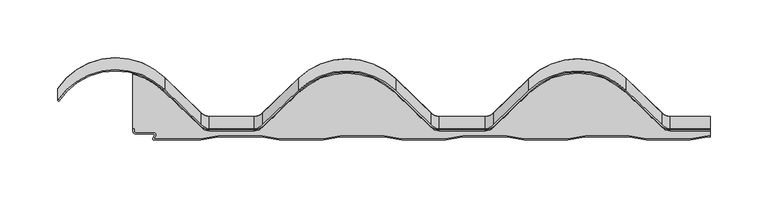
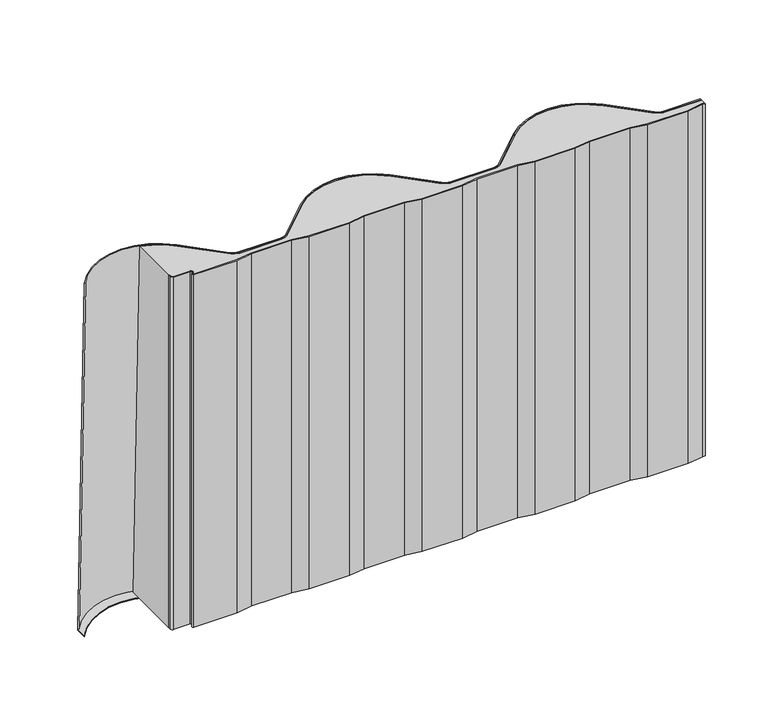
"""IFC4 building model written with IfcOpenShell, lengths in millimetres: proxy geometry."""

from ifc_helpers import new_model, si_unit, point, frame, frame_2d, origin, origin_with_axes, place, context, project, spatial, polyline, circle_curve, trimmed, segment, composite_curve, outline, extrude, source, transform, mapped, element, save
from ifc_brep_helpers import plane_surface, cylinder_surface, revolved_surface, extruded_surface, advanced_brep


def generic_models_fcc16483(model_context):
    return source(origin(), model_context, "Body", "SolidModel", [
        extrude(outline(composite_curve([segment(polyline([(-2.265, 1.5), (-17.265, -1.0), (-55.265, -1.0), (-70.265, 1.5), (-108.265, 1.5), (-123.265, -1.0), (-161.265, -1.0), (-176.265, 1.5), (-214.265, 1.5), (-229.265, -1.0), (-267.265, -1.0), (-282.265, 1.5), (-320.265, 1.5), (-335.265, -1.0), (-373.265, -1.0), (-388.265, 1.5), (-426.265, 1.5), (-441.265, -1.0), (-482.0711352, -1.0)]), True, "CONTINUOUS"), segment(trimmed(circle_curve(frame_2d((-482.0711352, 0.0)), 1.0), [point((-482.0711352, -1.0))], [point((-482.9100181, 0.5443119))], False, "CARTESIAN"), True, "CONTINUOUS"), segment(polyline([(-482.9100181, 0.5443119), (-481.4750477, 2.7558601)]), True, "CONTINUOUS"), segment(trimmed(circle_curve(frame_2d((-482.3139306, 3.3001721)), 1.0), [point((-481.4750477, 2.7558601))], [point((-482.3139306, 4.3001721))], True, "CARTESIAN"), True, "CONTINUOUS"), segment(polyline([(-482.3139306, 4.3001721), (-497.9000007, 4.3001721)]), True, "CONTINUOUS"), segment(trimmed(circle_curve(frame_2d((-497.9000007, 6.4001714)), 2.0999993), [point((-497.9000007, 4.3001721))], [point((-500.0, 6.4001714))], False, "CARTESIAN"), True, "CONTINUOUS"), segment(polyline([(-500.0, 6.4001714), (-500.0, 8.4001722), (-499.0, 8.4001722), (-499.0, 6.4001714)]), True, "CONTINUOUS"), segment(trimmed(circle_curve(frame_2d((-497.9000007, 6.4001714)), 1.0999993), [point((-499.0, 6.4001714))], [point((-497.9000007, 5.3001721))], True, "CARTESIAN"), True, "CONTINUOUS"), segment(polyline([(-497.9000007, 5.3001721), (-482.3139306, 5.3001721)]), True, "CONTINUOUS"), segment(trimmed(circle_curve(frame_2d((-482.3139306, 3.3001721)), 2.0), [point((-482.3139306, 5.3001721))], [point((-480.6361648, 2.2115482))], False, "CARTESIAN"), True, "CONTINUOUS"), segment(polyline([(-480.6361648, 2.2115482), (-482.0711352, 0.0), (-441.3477625, 0.0), (-426.3477625, 2.5), (-388.1822375, 2.5), (-373.1822375, 0.0), (-335.3477625, 0.0), (-320.3477625, 2.5), (-282.1822375, 2.5), (-267.1822375, 0.0), (-229.3477625, 0.0), (-214.3477625, 2.5), (-176.1822375, 2.5), (-161.1822375, 0.0), (-123.3477625, 0.0), (-108.3477625, 2.5), (-70.1822375, 2.5), (-55.1822375, 0.0), (-17.3477625, 0.0), (-2.3477625, 2.5), (-0.0286423, 2.5), (-0.0286423, 1.5), (-2.265, 1.5)]), True, "CONTINUOUS")], self_intersect=False)), origin_with_axes(), (0.0, 0.0, 1.0), 350.0),
        advanced_brep(
        [(-500.0, 66.6216742, 0.0), (-473.3196047, 51.6257976, 0.0), (-441.4819062, 20.6196004, 0.0), (-433.8073181, 17.5, 0.0), (-394.8301637, 17.5, 0.0), (-387.1555756, 20.6196004, 0.0), (-356.3446944, 50.6257976, 0.0), (-273.3196047, 50.6257976, 0.0), (-242.5087235, 20.6196004, 0.0), (-234.8341354, 17.5, 0.0), (-194.8301637, 17.5, 0.0), (-187.1555756, 20.6196004, 0.0), (-156.3446944, 50.6257976, 0.0), (-73.3196047, 50.6257976, 0.0), (-42.5087235, 20.6196004, 0.0), (-34.8341354, 17.5, 0.0), (-0.0286423, 17.5, 0.0), (-0.0286423, 2.5, 0.0), (-2.3477625, 2.5, 0.0), (-17.3477625, 0.0, 0.0), (-55.1822375, 0.0, 0.0), (-70.1822375, 2.5, 0.0), (-108.3477625, 2.5, 0.0), (-123.3477625, 0.0, 0.0), (-161.1822375, 0.0, 0.0), (-176.1822375, 2.5, 0.0), (-214.3477625, 2.5, 0.0), (-229.3477625, 0.0, 0.0), (-267.1822375, 0.0, 0.0), (-282.1822375, 2.5, 0.0), (-320.3477625, 2.5, 0.0), (-335.3477625, 0.0, 0.0), (-373.1822375, 0.0, 0.0), (-388.1822375, 2.5, 0.0), (-426.3477625, 2.5, 0.0), (-441.3477625, 0.0, 0.0), (-482.0711352, 0.0, 0.0), (-480.6361648, 2.2115482, 0.0), (-482.3139306, 5.3001721, 0.0), (-497.9000007, 5.3001721, 0.0), (-499.0, 6.4001714, 0.0), (-499.0, 8.4001722, 0.0), (-500.0, 8.4001722, 0.0), (-500.0, 8.4001722, 350.0), (-500.0, 56.1216742, 350.0), (-0.0286423, 7.0, 350.0), (-0.0286423, 2.5, 350.0), (-499.0, 8.4001722, 350.0), (-499.0, 6.4001714, 350.0), (-497.9000007, 5.3001721, 350.0), (-482.3139306, 5.3001721, 350.0), (-480.6361648, 2.2115482, 350.0), (-482.0711352, 0.0, 350.0), (-441.3477625, 0.0, 350.0), (-426.3477625, 2.5, 350.0), (-388.1822375, 2.5, 350.0), (-373.1822375, 0.0, 350.0), (-335.3477625, 0.0, 350.0), (-320.3477625, 2.5, 350.0), (-282.1822375, 2.5, 350.0), (-267.1822375, 0.0, 350.0), (-229.3477625, 0.0, 350.0), (-214.3477625, 2.5, 350.0), (-176.1822375, 2.5, 350.0), (-161.1822375, 0.0, 350.0), (-123.3477625, 0.0, 350.0), (-108.3477625, 2.5, 350.0), (-70.1822375, 2.5, 350.0), (-55.1822375, 0.0, 350.0), (-17.3477625, 0.0, 350.0), (-2.3477625, 2.5, 350.0), (-34.8341354, 7.0, 350.0), (-42.5087235, 10.1196004, 350.0), (-73.3196047, 40.1257976, 350.0), (-156.3446944, 40.1257976, 350.0), (-187.1555756, 10.1196004, 350.0), (-194.8301637, 7.0, 350.0), (-234.8341354, 7.0, 350.0), (-242.5087235, 10.1196004, 350.0), (-273.3196047, 40.1257976, 350.0), (-356.3446944, 40.1257976, 350.0), (-387.1555756, 10.1196004, 350.0), (-394.8301637, 7.0, 350.0), (-433.8073181, 7.0, 350.0), (-441.4819062, 10.1196004, 350.0), (-473.3196047, 41.1257976, 350.0)],
        [
            (0, 1, circle_curve(frame((-514.8321495, 9.0, 0.0), z_axis=(0.0, 0.0, -1.0), x_axis=(1.0, 0.0, 0.0)), 59.5)),
            (1, 2),
            (2, 3, circle_curve(frame((-433.8073181, 28.5, 0.0), z_axis=(0.0, 0.0, 1.0), x_axis=(1.0, 0.0, 0.0)), 11.0)),
            (3, 4),
            (4, 5, circle_curve(frame((-394.8301637, 28.5, 0.0), z_axis=(0.0, 0.0, 1.0), x_axis=(1.0, 0.0, 0.0)), 11.0)),
            (5, 6),
            (6, 7, circle_curve(frame((-314.8321495, 8.0, 0.0), z_axis=(0.0, 0.0, -1.0), x_axis=(1.0, 0.0, 0.0)), 59.5)),
            (7, 8),
            (8, 9, circle_curve(frame((-234.8341354, 28.5, 0.0), z_axis=(0.0, 0.0, 1.0), x_axis=(1.0, 0.0, 0.0)), 11.0)),
            (9, 10),
            (10, 11, circle_curve(frame((-194.8301637, 28.5, 0.0), z_axis=(0.0, 0.0, 1.0), x_axis=(1.0, 0.0, 0.0)), 11.0)),
            (11, 12),
            (12, 13, circle_curve(frame((-114.8321495, 8.0, 0.0), z_axis=(0.0, 0.0, -1.0), x_axis=(1.0, 0.0, 0.0)), 59.5)),
            (13, 14),
            (14, 15, circle_curve(frame((-34.8341354, 28.5, 0.0), z_axis=(0.0, 0.0, 1.0), x_axis=(1.0, 0.0, 0.0)), 11.0)),
            (15, 16),
            (16, 17),
            (17, 18),
            (18, 19),
            (19, 20),
            (20, 21),
            (21, 22),
            (22, 23),
            (23, 24),
            (24, 25),
            (25, 26),
            (26, 27),
            (27, 28),
            (28, 29),
            (29, 30),
            (30, 31),
            (31, 32),
            (32, 33),
            (33, 34),
            (34, 35),
            (35, 36),
            (36, 37),
            (37, 38, circle_curve(frame((-482.3139306, 3.3001721, 0.0), z_axis=(0.0, 0.0, 1.0), x_axis=(1.0, 3.998762942509836e-12, 0.0)), 2.0)),
            (38, 39),
            (39, 40, circle_curve(frame((-497.9000007, 6.4001714, 0.0), z_axis=(0.0, 0.0, -1.0), x_axis=(0.0, -1.0, 0.0)), 1.0999993)),
            (40, 41),
            (41, 42),
            (42, 0),
            (43, 44),
            (44, 0),
            (42, 43),
            (45, 46),
            (46, 17),
            (16, 45),
            (47, 43),
            (41, 47),
            (48, 47),
            (40, 48),
            (49, 48, circle_curve(frame((-497.9000007, 6.4001714, 350.0), z_axis=(0.0, 0.0, -1.0), x_axis=(0.0, -1.0, 0.0)), 1.0999993)),
            (39, 49),
            (50, 49),
            (38, 50),
            (51, 50, circle_curve(frame((-482.3139306, 3.3001721, 350.0), z_axis=(0.0, 0.0, 1.0), x_axis=(1.0, 3.998762942509836e-12, 0.0)), 2.0)),
            (37, 51),
            (52, 51),
            (36, 52),
            (53, 52),
            (35, 53),
            (54, 53),
            (34, 54),
            (55, 54),
            (33, 55),
            (56, 55),
            (32, 56),
            (57, 56),
            (31, 57),
            (58, 57),
            (30, 58),
            (59, 58),
            (29, 59),
            (60, 59),
            (28, 60),
            (61, 60),
            (27, 61),
            (62, 61),
            (26, 62),
            (63, 62),
            (25, 63),
            (64, 63),
            (24, 64),
            (65, 64),
            (23, 65),
            (66, 65),
            (22, 66),
            (67, 66),
            (21, 67),
            (68, 67),
            (20, 68),
            (69, 68),
            (19, 69),
            (70, 69),
            (18, 70),
            (46, 70),
            (15, 71),
            (71, 45),
            (72, 71, circle_curve(frame((-34.8341354, 18.0, 350.0), z_axis=(0.0, 0.0, 1.0), x_axis=(1.0, 0.0, 0.0)), 11.0)),
            (14, 72),
            (73, 72),
            (13, 73),
            (74, 73, circle_curve(frame((-114.8321495, -2.5, 350.0), z_axis=(0.0, 0.0, -1.0), x_axis=(1.0, 0.0, 0.0)), 59.5)),
            (12, 74),
            (75, 74),
            (11, 75),
            (76, 75, circle_curve(frame((-194.8301637, 18.0, 350.0), z_axis=(0.0, 0.0, 1.0), x_axis=(1.0, 0.0, 0.0)), 11.0)),
            (10, 76),
            (77, 76),
            (9, 77),
            (78, 77, circle_curve(frame((-234.8341354, 18.0, 350.0), z_axis=(0.0, 0.0, 1.0), x_axis=(1.0, 0.0, 0.0)), 11.0)),
            (8, 78),
            (79, 78),
            (7, 79),
            (80, 79, circle_curve(frame((-314.8321495, -2.5, 350.0), z_axis=(0.0, 0.0, -1.0), x_axis=(1.0, 0.0, 0.0)), 59.5)),
            (6, 80),
            (81, 80),
            (5, 81),
            (82, 81, circle_curve(frame((-394.8301637, 18.0, 350.0), z_axis=(0.0, 0.0, 1.0), x_axis=(1.0, 0.0, 0.0)), 11.0)),
            (4, 82),
            (83, 82),
            (3, 83),
            (84, 83, circle_curve(frame((-433.8073181, 18.0, 350.0), z_axis=(0.0, 0.0, 1.0), x_axis=(1.0, 0.0, 0.0)), 11.0)),
            (2, 84),
            (85, 84),
            (1, 85),
            (44, 85, circle_curve(frame((-514.8321495, -1.5, 350.0), z_axis=(0.0, 0.0, -1.0), x_axis=(1.0, 0.0, 0.0)), 59.5)),
        ],
        [
            plane_surface(frame((29.6642368, 16.51352, 0.0), z_axis=(0.0, 0.0, -1.0), x_axis=(0.0, 1.0, 0.0))),
            plane_surface(frame((-500.0, 37.5109232, 0.0), z_axis=(-1.0, 0.0, 0.0), x_axis=(0.0, -1.0, 0.0))),
            plane_surface(frame((-0.0286423, 106.542464, 350.0), z_axis=(1.0, 0.0, 0.0), x_axis=(0.0, 0.0, -1.0))),
            plane_surface(frame((-499.5, 8.4001722, 0.0), z_axis=(0.0, -1.0, 0.0), x_axis=(1.0, 0.0, 0.0))),
            plane_surface(frame((-499.0, 7.4001718, 0.0), z_axis=(-1.0, 0.0, 0.0), x_axis=(0.0, -1.0, 0.0))),
            cylinder_surface(frame((-497.9000007, 6.4001714, 0.0), z_axis=(0.0, 0.0, 1.0), x_axis=(0.0, -1.0, 0.0)), 1.0999993),
            plane_surface(frame((-490.1069656, 5.3001721, 0.0), z_axis=(0.0, -1.0, 0.0), x_axis=(1.0, 0.0, 0.0))),
            revolved_surface(polyline([(-480.3139306, 3.3001721000079978, 350.0), (-480.3139306, 3.3001721000079978, 0.0)]), (-482.3139306, 3.3001721, 0.0), (0.0, 0.0, 1.0)),
            plane_surface(frame((-481.35365, 1.1057741, 0.0), z_axis=(-0.8388828900586107, 0.5443119480288054, 0.0), x_axis=(-0.5443119480288054, -0.8388828900586107, 0.0))),
            plane_surface(frame((-461.7094489, 0.0, 0.0), z_axis=(0.0, -1.0, 0.0), x_axis=(1.0, 0.0, 0.0))),
            plane_surface(frame((-433.8477625, 1.25, 0.0), z_axis=(0.16439898730535946, -0.9863939238321434, 0.0), x_axis=(0.9863939238321434, 0.16439898730535946, 0.0))),
            plane_surface(frame((-407.265, 2.5, 0.0), z_axis=(0.0, -1.0, 0.0), x_axis=(1.0, 0.0, 0.0))),
            plane_surface(frame((-380.6822375, 1.25, 0.0), z_axis=(-0.16439898730535946, -0.9863939238321434, 0.0), x_axis=(0.9863939238321434, -0.16439898730535946, 0.0))),
            plane_surface(frame((-354.265, 0.0, 0.0), z_axis=(0.0, -1.0, 0.0), x_axis=(1.0, 0.0, 0.0))),
            plane_surface(frame((-327.8477625, 1.25, 0.0), z_axis=(0.16439898730535946, -0.9863939238321434, 0.0), x_axis=(0.9863939238321434, 0.16439898730535946, 0.0))),
            plane_surface(frame((-301.265, 2.5, 0.0), z_axis=(0.0, -1.0, 0.0), x_axis=(1.0, 0.0, 0.0))),
            plane_surface(frame((-274.6822375, 1.25, 0.0), z_axis=(-0.1643989873053537, -0.9863939238321443, 0.0), x_axis=(0.9863939238321443, -0.1643989873053537, 0.0))),
            plane_surface(frame((-248.265, 0.0, 0.0), z_axis=(0.0, -1.0, 0.0), x_axis=(1.0, 0.0, 0.0))),
            plane_surface(frame((-221.8477625, 1.25, 0.0), z_axis=(0.16439898730535946, -0.9863939238321434, 0.0), x_axis=(0.9863939238321434, 0.16439898730535946, 0.0))),
            plane_surface(frame((-195.265, 2.5, 0.0), z_axis=(0.0, -1.0, 0.0), x_axis=(1.0, 0.0, 0.0))),
            plane_surface(frame((-168.6822375, 1.25, 0.0), z_axis=(-0.16439898730535946, -0.9863939238321434, 0.0), x_axis=(0.9863939238321434, -0.16439898730535946, 0.0))),
            plane_surface(frame((-142.265, 0.0, 0.0), z_axis=(0.0, -1.0, 0.0), x_axis=(1.0, 0.0, 0.0))),
            plane_surface(frame((-115.8477625, 1.25, 0.0), z_axis=(0.16439898730535948, -0.9863939238321434, 0.0), x_axis=(0.9863939238321434, 0.16439898730535948, 0.0))),
            plane_surface(frame((-89.265, 2.5, 0.0), z_axis=(0.0, -1.0, 0.0), x_axis=(1.0, 0.0, 0.0))),
            plane_surface(frame((-62.6822375, 1.25, 0.0), z_axis=(-0.16439898730535366, -0.9863939238321443, 0.0), x_axis=(0.9863939238321443, -0.16439898730535366, 0.0))),
            plane_surface(frame((-36.265, 0.0, 0.0), z_axis=(0.0, -1.0, 0.0), x_axis=(1.0, 0.0, 0.0))),
            plane_surface(frame((-9.8477625, 1.25, 0.0), z_axis=(0.16439898730535948, -0.9863939238321434, 0.0), x_axis=(0.9863939238321434, 0.16439898730535948, 0.0))),
            plane_surface(frame((16.735, 2.5, 0.0), z_axis=(0.0, -1.0, 0.0), x_axis=(1.0, 0.0, 0.0))),
            plane_surface(frame((-14.8321495, 17.5, 0.0), z_axis=(0.0, 0.9995503035223665, 0.029986509105683012), x_axis=(-1.0, 0.0, 0.0))),
            extruded_surface(trimmed(circle_curve(frame((-34.8341354, 28.5, 0.0), z_axis=(0.0, 0.0, -1.0), x_axis=(1.0, 0.0, 0.0)), 11.0), [point((-34.8341354, 17.5, 0.0))], [point((-42.5087235, 20.6196004, 0.0))], True, "CARTESIAN"), (0.0, -10.5, 350.0), 350.1574645784379),
            plane_surface(frame((-57.9141641, 35.622699, 0.0), z_axis=(0.6975287509556769, 0.7162345627210827, 0.021487036881636883), x_axis=(-0.7163999601492517, 0.6976898287191455, 0.0))),
            extruded_surface(trimmed(circle_curve(frame((-114.8321495, 8.0, 0.0), z_axis=(0.0, 0.0, 1.0), x_axis=(1.0, 0.0, 0.0)), 59.5), [point((-73.3196047, 50.6257976, 0.0))], [point((-156.3446944, 50.6257976, 0.0))], True, "CARTESIAN"), (0.0, -10.5, 350.0), 350.1574645784379),
            plane_surface(frame((-171.750135, 35.622699, 0.0), z_axis=(-0.6975287509558471, 0.7162345627209172, 0.021487036881625905), x_axis=(-0.716399960149086, -0.6976898287193156, 0.0))),
            extruded_surface(trimmed(circle_curve(frame((-194.8301637, 28.5, 0.0), z_axis=(0.0, 0.0, -1.0), x_axis=(1.0, 0.0, 0.0)), 11.0), [point((-187.1555756, 20.6196004, 0.0))], [point((-194.8301637, 17.5, 0.0))], True, "CARTESIAN"), (0.0, -10.5, 350.0), 350.1574645784379),
            plane_surface(frame((-214.8321495, 17.5, 0.0), z_axis=(0.0, 0.9995503035223665, 0.029986509105683012), x_axis=(-1.0, 0.0, 0.0))),
            extruded_surface(trimmed(circle_curve(frame((-234.8341354, 28.5, 0.0), z_axis=(0.0, 0.0, -1.0), x_axis=(1.0, 0.0, 0.0)), 11.0), [point((-234.8341354, 17.5, 0.0))], [point((-242.5087235, 20.6196004, 0.0))], True, "CARTESIAN"), (0.0, -10.5, 350.0), 350.1574645784379),
            plane_surface(frame((-257.9141641, 35.622699, 0.0), z_axis=(0.6975287509556767, 0.7162345627210829, 0.02148703688163686), x_axis=(-0.7163999601492519, 0.6976898287191453, 0.0))),
            extruded_surface(trimmed(circle_curve(frame((-314.8321495, 8.0, 0.0), z_axis=(0.0, 0.0, 1.0), x_axis=(1.0, 0.0, 0.0)), 59.5), [point((-273.3196047, 50.6257976, 0.0))], [point((-356.3446944, 50.6257976, 0.0))], True, "CARTESIAN"), (0.0, -10.5, 350.0), 350.1574645784379),
            plane_surface(frame((-371.750135, 35.622699, 0.0), z_axis=(-0.6975287509558474, 0.716234562720917, 0.0214870368816261), x_axis=(-0.7163999601490858, -0.697689828719316, 0.0))),
            extruded_surface(trimmed(circle_curve(frame((-394.8301637, 28.5, 0.0), z_axis=(0.0, 0.0, -1.0), x_axis=(1.0, 0.0, 0.0)), 11.0), [point((-387.1555756, 20.6196004, 0.0))], [point((-394.8301637, 17.5, 0.0))], True, "CARTESIAN"), (0.0, -10.5, 350.0), 350.1574645784379),
            plane_surface(frame((-414.3187409, 17.5, 0.0), z_axis=(0.0, 0.9995503035223665, 0.029986509105683012), x_axis=(-1.0, 0.0, 0.0))),
            extruded_surface(trimmed(circle_curve(frame((-433.8073181, 28.5, 0.0), z_axis=(0.0, 0.0, -1.0), x_axis=(1.0, 0.0, 0.0)), 11.0), [point((-433.8073181, 17.5, 0.0))], [point((-441.4819062, 20.6196004, 0.0))], True, "CARTESIAN"), (0.0, -10.5, 350.0), 350.1574645784379),
            plane_surface(frame((-457.4007555, 36.122699, 0.0), z_axis=(0.6975287509556769, 0.7162345627210829, 0.021487036881634645), x_axis=(-0.7163999601492518, 0.6976898287191454, 0.0))),
            extruded_surface(trimmed(circle_curve(frame((-514.8321495, 9.0, 0.0), z_axis=(0.0, 0.0, 1.0), x_axis=(1.0, 0.0, 0.0)), 59.5), [point((-473.3196047, 51.6257976, 0.0))], [point((-500.0, 66.6216742, 0.0))], True, "CARTESIAN"), (0.0, -10.5, 350.0), 350.1574645784379),
            plane_surface(frame((29.6642368, 12.0480027, 350.0), z_axis=(0.0, 0.0, 1.0), x_axis=(0.0, 1.0, 0.0))),
        ],
        [
            (0, [[1, 2, 3, 4, 5, 6, 7, 8, 9, 10, 11, 12, 13, 14, 15, 16, 17, 18, 19, 20, 21, 22, 23, 24, 25, 26, 27, 28, 29, 30, 31, 32, 33, 34, 35, 36, 37, 38, 39, 40, 41, 42, 43]]),
            (1, [[44, 45, -43, 46]]),
            (2, [[47, 48, -17, 49]]),
            (3, [[50, -46, -42, 51]]),
            (4, [[52, -51, -41, 53]]),
            (5, [[54, -53, -40, 55]]),
            (6, [[56, -55, -39, 57]]),
            (7, [[58, -57, -38, 59]]),
            (8, [[60, -59, -37, 61]]),
            (9, [[62, -61, -36, 63]]),
            (10, [[64, -63, -35, 65]]),
            (11, [[66, -65, -34, 67]]),
            (12, [[68, -67, -33, 69]]),
            (13, [[70, -69, -32, 71]]),
            (14, [[72, -71, -31, 73]]),
            (15, [[74, -73, -30, 75]]),
            (16, [[76, -75, -29, 77]]),
            (17, [[78, -77, -28, 79]]),
            (18, [[80, -79, -27, 81]]),
            (19, [[82, -81, -26, 83]]),
            (20, [[84, -83, -25, 85]]),
            (21, [[86, -85, -24, 87]]),
            (22, [[88, -87, -23, 89]]),
            (23, [[90, -89, -22, 91]]),
            (24, [[92, -91, -21, 93]]),
            (25, [[94, -93, -20, 95]]),
            (26, [[96, -95, -19, 97]]),
            (27, [[-97, -18, -48, 98]]),
            (28, [[99, 100, -49, -16]]),
            (29, [[101, -99, -15, 102]]),
            (30, [[103, -102, -14, 104]]),
            (31, [[105, -104, -13, 106]]),
            (32, [[107, -106, -12, 108]]),
            (33, [[109, -108, -11, 110]]),
            (34, [[111, -110, -10, 112]]),
            (35, [[113, -112, -9, 114]]),
            (36, [[115, -114, -8, 116]]),
            (37, [[117, -116, -7, 118]]),
            (38, [[119, -118, -6, 120]]),
            (39, [[121, -120, -5, 122]]),
            (40, [[123, -122, -4, 124]]),
            (41, [[125, -124, -3, 126]]),
            (42, [[127, -126, -2, 128]]),
            (43, [[129, -128, -1, -45]]),
            (44, [[-44, -50, -52, -54, -56, -58, -60, -62, -64, -66, -68, -70, -72, -74, -76, -78, -80, -82, -84, -86, -88, -90, -92, -94, -96, -98, -47, -100, -101, -103, -105, -107, -109, -111, -113, -115, -117, -119, -121, -123, -125, -127, -129]]),
        ],
    ),
        extrude(outline(composite_curve([segment(trimmed(circle_curve(frame_2d((-433.8073181, 29.5)), 10.0), [point((-440.7842164, 22.3360004))], [point((-433.8073181, 19.5))], True, "CARTESIAN"), True, "CONTINUOUS"), segment(polyline([(-433.8073181, 19.5), (-394.8301637, 19.5)]), True, "CONTINUOUS"), segment(trimmed(circle_curve(frame_2d((-394.8301637, 29.5)), 10.0), [point((-394.8301637, 19.5))], [point((-387.8532654, 22.3360004))], True, "CARTESIAN"), True, "CONTINUOUS"), segment(polyline([(-387.8532654, 22.3360004), (-357.0423842, 52.3421976)]), True, "CONTINUOUS"), segment(trimmed(circle_curve(frame_2d((-314.8321495, 9.0)), 60.5), [point((-357.0423842, 52.3421976))], [point((-272.6219149, 52.3421976))], False, "CARTESIAN"), True, "CONTINUOUS"), segment(polyline([(-272.6219149, 52.3421976), (-241.8110336, 22.3360004)]), True, "CONTINUOUS"), segment(trimmed(circle_curve(frame_2d((-234.8341354, 29.5)), 10.0), [point((-241.8110336, 22.3360004))], [point((-234.8341354, 19.5))], True, "CARTESIAN"), True, "CONTINUOUS"), segment(polyline([(-234.8341354, 19.5), (-194.8301637, 19.5)]), True, "CONTINUOUS"), segment(trimmed(circle_curve(frame_2d((-194.8301637, 29.5)), 10.0), [point((-194.8301637, 19.5))], [point((-187.8532654, 22.3360004))], True, "CARTESIAN"), True, "CONTINUOUS"), segment(polyline([(-187.8532654, 22.3360004), (-157.0423842, 52.3421976)]), True, "CONTINUOUS"), segment(trimmed(circle_curve(frame_2d((-114.8321495, 9.0)), 60.5), [point((-157.0423842, 52.3421976))], [point((-72.6219149, 52.3421976))], False, "CARTESIAN"), True, "CONTINUOUS"), segment(polyline([(-72.6219149, 52.3421976), (-41.8110336, 22.3360004)]), True, "CONTINUOUS"), segment(trimmed(circle_curve(frame_2d((-34.8341354, 29.5)), 10.0), [point((-41.8110336, 22.3360004))], [point((-34.8341354, 19.5))], True, "CARTESIAN"), True, "CONTINUOUS"), segment(polyline([(-34.8341354, 19.5), (-0.0286423, 19.5), (-0.0286423, 9.0), (-34.8341354, 9.0)]), True, "CONTINUOUS"), segment(trimmed(circle_curve(frame_2d((-34.8341354, 19.0)), 10.0), [point((-34.8341354, 9.0))], [point((-41.8110336, 11.8360004))], False, "CARTESIAN"), True, "CONTINUOUS"), segment(polyline([(-41.8110336, 11.8360004), (-72.6219149, 41.8421976)]), True, "CONTINUOUS"), segment(trimmed(circle_curve(frame_2d((-114.8321495, -1.5)), 60.5), [point((-72.6219149, 41.8421976))], [point((-157.0423842, 41.8421976))], True, "CARTESIAN"), True, "CONTINUOUS"), segment(polyline([(-157.0423842, 41.8421976), (-187.8532654, 11.8360004)]), True, "CONTINUOUS"), segment(trimmed(circle_curve(frame_2d((-194.8301637, 19.0)), 10.0), [point((-187.8532654, 11.8360004))], [point((-194.8301637, 9.0))], False, "CARTESIAN"), True, "CONTINUOUS"), segment(polyline([(-194.8301637, 9.0), (-234.8341354, 9.0)]), True, "CONTINUOUS"), segment(trimmed(circle_curve(frame_2d((-234.8341354, 19.0)), 10.0), [point((-234.8341354, 9.0))], [point((-241.8110336, 11.8360004))], False, "CARTESIAN"), True, "CONTINUOUS"), segment(polyline([(-241.8110336, 11.8360004), (-272.6219149, 41.8421976)]), True, "CONTINUOUS"), segment(trimmed(circle_curve(frame_2d((-314.8321495, -1.5)), 60.5), [point((-272.6219149, 41.8421976))], [point((-357.0423842, 41.8421976))], True, "CARTESIAN"), True, "CONTINUOUS"), segment(polyline([(-357.0423842, 41.8421976), (-387.8532654, 11.8360004)]), True, "CONTINUOUS"), segment(trimmed(circle_curve(frame_2d((-394.8301637, 19.0)), 10.0), [point((-387.8532654, 11.8360004))], [point((-394.8301637, 9.0))], False, "CARTESIAN"), True, "CONTINUOUS"), segment(polyline([(-394.8301637, 9.0), (-433.8073181, 9.0)]), True, "CONTINUOUS"), segment(trimmed(circle_curve(frame_2d((-433.8073181, 19.0)), 10.0), [point((-433.8073181, 9.0))], [point((-440.7842164, 11.8360004))], False, "CARTESIAN"), True, "CONTINUOUS"), segment(polyline([(-440.7842164, 11.8360004), (-472.6219149, 42.8421976)]), True, "CONTINUOUS"), segment(trimmed(circle_curve(frame_2d((-514.8321495, -0.5)), 60.5), [point((-472.6219149, 42.8421976))], [point((-565.1458268, 33.0973791))], True, "CARTESIAN"), True, "CONTINUOUS"), segment(polyline([(-565.1458268, 33.0973791), (-565.1458268, 43.5973791)]), True, "CONTINUOUS"), segment(trimmed(circle_curve(frame_2d((-514.8321495, 10.0)), 60.5), [point((-565.1458268, 43.5973791))], [point((-472.6219149, 53.3421976))], False, "CARTESIAN"), True, "CONTINUOUS"), segment(polyline([(-472.6219149, 53.3421976), (-440.7842164, 22.3360004)]), True, "CONTINUOUS")], self_intersect=False)), frame((0.0, 0.0, -1.0), z_axis=(0.0, 0.0, 1.0), x_axis=(1.0, 0.0, 0.0)), (0.0, 0.0, 1.0), 1.0),
        advanced_brep(
        [(-472.6219149, 53.3421976, 0.0), (-440.7842164, 22.3360004, 0.0), (-433.8073181, 19.5, 0.0), (-394.8301637, 19.5, 0.0), (-387.8532654, 22.3360004, 0.0), (-357.0423842, 52.3421976, 0.0), (-272.6219149, 52.3421976, 0.0), (-241.8110336, 22.3360004, 0.0), (-234.8341354, 19.5, 0.0), (-194.8301637, 19.5, 0.0), (-187.8532654, 22.3360004, 0.0), (-157.0423842, 52.3421976, 0.0), (-72.6219149, 52.3421976, 0.0), (-41.8110336, 22.3360004, 0.0), (-34.8341354, 19.5, 0.0), (-0.0286423, 19.5, 0.0), (-0.0286423, 18.5, 0.0), (-34.8341354, 18.5, 0.0), (-42.5087235, 21.6196004, 0.0), (-73.3196047, 51.6257976, 0.0), (-156.3446944, 51.6257976, 0.0), (-187.1555756, 21.6196004, 0.0), (-194.8301637, 18.5, 0.0), (-234.8341354, 18.5, 0.0), (-242.5087235, 21.6196004, 0.0), (-273.3196047, 51.6257976, 0.0), (-356.3446944, 51.6257976, 0.0), (-387.1555756, 21.6196004, 0.0), (-394.8301637, 18.5, 0.0), (-433.8073181, 18.5, 0.0), (-441.4819062, 21.6196004, 0.0), (-473.3196047, 52.6257976, 0.0), (-564.3141957, 43.0420505, 0.0), (-565.1458268, 43.5973791, 0.0), (-565.1458268, 33.0973791, 350.0), (-472.6219149, 42.8421976, 350.0), (-564.3141957, 32.5420505, 350.0), (-473.3196047, 42.1257976, 350.0), (-441.4819062, 11.1196004, 350.0), (-433.8073181, 8.0, 350.0), (-394.8301637, 8.0, 350.0), (-387.1555756, 11.1196004, 350.0), (-356.3446944, 41.1257976, 350.0), (-273.3196047, 41.1257976, 350.0), (-242.5087235, 11.1196004, 350.0), (-234.8341354, 8.0, 350.0), (-194.8301637, 8.0, 350.0), (-187.1555756, 11.1196004, 350.0), (-156.3446944, 41.1257976, 350.0), (-73.3196047, 41.1257976, 350.0), (-42.5087235, 11.1196004, 350.0), (-34.8341354, 8.0, 350.0), (-0.0286423, 8.0, 350.0), (-34.8341354, 9.0, 350.0), (-0.0286423, 9.0, 350.0), (-41.8110336, 11.8360004, 350.0), (-72.6219149, 41.8421976, 350.0), (-157.0423842, 41.8421976, 350.0), (-187.8532654, 11.8360004, 350.0), (-194.8301637, 9.0, 350.0), (-234.8341354, 9.0, 350.0), (-241.8110336, 11.8360004, 350.0), (-272.6219149, 41.8421976, 350.0), (-357.0423842, 41.8421976, 350.0), (-387.8532654, 11.8360004, 350.0), (-394.8301637, 9.0, 350.0), (-433.8073181, 9.0, 350.0), (-440.7842164, 11.8360004, 350.0)],
        [
            (0, 1),
            (1, 2, circle_curve(frame((-433.8073181, 29.5, 0.0), z_axis=(0.0, 0.0, 1.0), x_axis=(1.0, 0.0, 0.0)), 10.0)),
            (2, 3),
            (3, 4, circle_curve(frame((-394.8301637, 29.5, 0.0), z_axis=(0.0, 0.0, 1.0), x_axis=(1.0, 0.0, 0.0)), 10.0)),
            (4, 5),
            (5, 6, circle_curve(frame((-314.8321495, 9.0, 0.0), z_axis=(0.0, 0.0, -1.0), x_axis=(1.0, 0.0, 0.0)), 60.5)),
            (6, 7),
            (7, 8, circle_curve(frame((-234.8341354, 29.5, 0.0), z_axis=(0.0, 0.0, 1.0), x_axis=(1.0, 0.0, 0.0)), 10.0)),
            (8, 9),
            (9, 10, circle_curve(frame((-194.8301637, 29.5, 0.0), z_axis=(0.0, 0.0, 1.0), x_axis=(1.0, 0.0, 0.0)), 10.0)),
            (10, 11),
            (11, 12, circle_curve(frame((-114.8321495, 9.0, 0.0), z_axis=(0.0, 0.0, -1.0), x_axis=(1.0, 0.0, 0.0)), 60.5)),
            (12, 13),
            (13, 14, circle_curve(frame((-34.8341354, 29.5, 0.0), z_axis=(0.0, 0.0, 1.0), x_axis=(1.0, 0.0, 0.0)), 10.0)),
            (14, 15),
            (15, 16),
            (16, 17),
            (17, 18, circle_curve(frame((-34.8341354, 29.5, 0.0), z_axis=(0.0, 0.0, -1.0), x_axis=(1.0, 0.0, 0.0)), 11.0)),
            (18, 19),
            (19, 20, circle_curve(frame((-114.8321495, 9.0, 0.0), z_axis=(0.0, 0.0, 1.0), x_axis=(1.0, 0.0, 0.0)), 59.5)),
            (20, 21),
            (21, 22, circle_curve(frame((-194.8301637, 29.5, 0.0), z_axis=(0.0, 0.0, -1.0), x_axis=(1.0, 0.0, 0.0)), 11.0)),
            (22, 23),
            (23, 24, circle_curve(frame((-234.8341354, 29.5, 0.0), z_axis=(0.0, 0.0, -1.0), x_axis=(1.0, 0.0, 0.0)), 11.0)),
            (24, 25),
            (25, 26, circle_curve(frame((-314.8321495, 9.0, 0.0), z_axis=(0.0, 0.0, 1.0), x_axis=(1.0, 0.0, 0.0)), 59.5)),
            (26, 27),
            (27, 28, circle_curve(frame((-394.8301637, 29.5, 0.0), z_axis=(0.0, 0.0, -1.0), x_axis=(1.0, 0.0, 0.0)), 11.0)),
            (28, 29),
            (29, 30, circle_curve(frame((-433.8073181, 29.5, 0.0), z_axis=(0.0, 0.0, -1.0), x_axis=(1.0, 0.0, 0.0)), 11.0)),
            (30, 31),
            (31, 32, circle_curve(frame((-514.8321495, 10.0, 0.0), z_axis=(0.0, 0.0, 1.0), x_axis=(1.0, 0.0, 0.0)), 59.5)),
            (32, 33),
            (33, 0, circle_curve(frame((-514.8321495, 10.0, 0.0), z_axis=(0.0, 0.0, -1.0), x_axis=(1.0, 0.0, 0.0)), 60.5)),
            (34, 35, circle_curve(frame((-514.8321495, -0.5, 350.0), z_axis=(0.0, 0.0, -1.0), x_axis=(1.0, 0.0, 0.0)), 60.5)),
            (35, 0),
            (33, 34),
            (36, 34),
            (32, 36),
            (37, 36, circle_curve(frame((-514.8321495, -0.5, 350.0), z_axis=(0.0, 0.0, 1.0), x_axis=(1.0, 0.0, 0.0)), 59.5)),
            (31, 37),
            (38, 37),
            (30, 38),
            (39, 38, circle_curve(frame((-433.8073181, 19.0, 350.0), z_axis=(0.0, 0.0, -1.0), x_axis=(1.0, 0.0, 0.0)), 11.0)),
            (29, 39),
            (40, 39),
            (28, 40),
            (41, 40, circle_curve(frame((-394.8301637, 19.0, 350.0), z_axis=(0.0, 0.0, -1.0), x_axis=(1.0, 0.0, 0.0)), 11.0)),
            (27, 41),
            (42, 41),
            (26, 42),
            (43, 42, circle_curve(frame((-314.8321495, -1.5, 350.0), z_axis=(0.0, 0.0, 1.0), x_axis=(1.0, 0.0, 0.0)), 59.5)),
            (25, 43),
            (44, 43),
            (24, 44),
            (45, 44, circle_curve(frame((-234.8341354, 19.0, 350.0), z_axis=(0.0, 0.0, -1.0), x_axis=(1.0, 0.0, 0.0)), 11.0)),
            (23, 45),
            (46, 45),
            (22, 46),
            (47, 46, circle_curve(frame((-194.8301637, 19.0, 350.0), z_axis=(0.0, 0.0, -1.0), x_axis=(1.0, 0.0, 0.0)), 11.0)),
            (21, 47),
            (48, 47),
            (20, 48),
            (49, 48, circle_curve(frame((-114.8321495, -1.5, 350.0), z_axis=(0.0, 0.0, 1.0), x_axis=(1.0, 0.0, 0.0)), 59.5)),
            (19, 49),
            (50, 49),
            (18, 50),
            (51, 50, circle_curve(frame((-34.8341354, 19.0, 350.0), z_axis=(0.0, 0.0, -1.0), x_axis=(1.0, 0.0, 0.0)), 11.0)),
            (17, 51),
            (16, 52),
            (52, 51),
            (14, 53),
            (53, 54),
            (54, 15),
            (55, 53, circle_curve(frame((-34.8341354, 19.0, 350.0), z_axis=(0.0, 0.0, 1.0), x_axis=(1.0, 0.0, 0.0)), 10.0)),
            (13, 55),
            (56, 55),
            (12, 56),
            (57, 56, circle_curve(frame((-114.8321495, -1.5, 350.0), z_axis=(0.0, 0.0, -1.0), x_axis=(1.0, 0.0, 0.0)), 60.5)),
            (11, 57),
            (58, 57),
            (10, 58),
            (59, 58, circle_curve(frame((-194.8301637, 19.0, 350.0), z_axis=(0.0, 0.0, 1.0), x_axis=(1.0, 0.0, 0.0)), 10.0)),
            (9, 59),
            (60, 59),
            (8, 60),
            (61, 60, circle_curve(frame((-234.8341354, 19.0, 350.0), z_axis=(0.0, 0.0, 1.0), x_axis=(1.0, 0.0, 0.0)), 10.0)),
            (7, 61),
            (62, 61),
            (6, 62),
            (63, 62, circle_curve(frame((-314.8321495, -1.5, 350.0), z_axis=(0.0, 0.0, -1.0), x_axis=(1.0, 0.0, 0.0)), 60.5)),
            (5, 63),
            (64, 63),
            (4, 64),
            (65, 64, circle_curve(frame((-394.8301637, 19.0, 350.0), z_axis=(0.0, 0.0, 1.0), x_axis=(1.0, 0.0, 0.0)), 10.0)),
            (3, 65),
            (66, 65),
            (2, 66),
            (67, 66, circle_curve(frame((-433.8073181, 19.0, 350.0), z_axis=(0.0, 0.0, 1.0), x_axis=(1.0, 0.0, 0.0)), 10.0)),
            (1, 67),
            (35, 67),
            (54, 52),
        ],
        [
            plane_surface(frame((49.2852822, 36.7043237, 0.0), z_axis=(0.0, 0.0, -1.0), x_axis=(-0.7163999601492478, 0.6976898287191495, 0.0))),
            extruded_surface(trimmed(circle_curve(frame((-514.8321495, 10.0, 0.0), z_axis=(0.0, 0.0, 1.0), x_axis=(1.0, 0.0, 0.0)), 60.5), [point((-472.6219149, 53.3421976, 0.0))], [point((-565.1458268, 43.5973791, 0.0))], True, "CARTESIAN"), (0.0, -10.5, 350.0), 350.1574645784379),
            plane_surface(frame((-564.7300113, 43.3197148, 0.0), z_axis=(-0.5551558293945325, -0.8313723252192379, -0.02494116975658706), x_axis=(0.8316310284669947, -0.5553285806537683, 0.0))),
            extruded_surface(trimmed(circle_curve(frame((-514.8321495, 10.0, 0.0), z_axis=(0.0, 0.0, -1.0), x_axis=(1.0, 0.0, 0.0)), 59.5), [point((-564.3141957, 43.0420505, 0.0))], [point((-473.3196047, 52.6257976, 0.0))], True, "CARTESIAN"), (0.0, -10.5, 350.0), 350.1574645784379),
            plane_surface(frame((-457.4007555, 37.122699, 0.0), z_axis=(-0.697528750955677, -0.7162345627210829, -0.021487036881631408), x_axis=(0.7163999601492518, -0.6976898287191454, 0.0))),
            extruded_surface(trimmed(circle_curve(frame((-433.8073181, 29.5, 0.0), z_axis=(0.0, 0.0, 1.0), x_axis=(1.0, 0.0, 0.0)), 11.0), [point((-441.4819062, 21.6196004, 0.0))], [point((-433.8073181, 18.5, 0.0))], True, "CARTESIAN"), (0.0, -10.5, 350.0), 350.1574645784379),
            plane_surface(frame((-414.3187409, 18.5, 0.0), z_axis=(0.0, -0.9995503035223665, -0.029986509105683012), x_axis=(1.0, 0.0, 0.0))),
            extruded_surface(trimmed(circle_curve(frame((-394.8301637, 29.5, 0.0), z_axis=(0.0, 0.0, 1.0), x_axis=(1.0, 0.0, 0.0)), 11.0), [point((-394.8301637, 18.5, 0.0))], [point((-387.1555756, 21.6196004, 0.0))], True, "CARTESIAN"), (0.0, -10.5, 350.0), 350.1574645784379),
            plane_surface(frame((-371.750135, 36.622699, 0.0), z_axis=(0.6975287509558474, -0.716234562720917, -0.02148703688162934), x_axis=(0.7163999601490858, 0.697689828719316, 0.0))),
            extruded_surface(trimmed(circle_curve(frame((-314.8321495, 9.0, 0.0), z_axis=(0.0, 0.0, -1.0), x_axis=(1.0, 0.0, 0.0)), 59.5), [point((-356.3446944, 51.6257976, 0.0))], [point((-273.3196047, 51.6257976, 0.0))], True, "CARTESIAN"), (0.0, -10.5, 350.0), 350.1574645784379),
            plane_surface(frame((-257.9141641, 36.622699, 0.0), z_axis=(-0.6975287509556769, -0.716234562721083, -0.02148703688163362), x_axis=(0.7163999601492519, -0.6976898287191453, 0.0))),
            extruded_surface(trimmed(circle_curve(frame((-234.8341354, 29.5, 0.0), z_axis=(0.0, 0.0, 1.0), x_axis=(1.0, 0.0, 0.0)), 11.0), [point((-242.5087235, 21.6196004, 0.0))], [point((-234.8341354, 18.5, 0.0))], True, "CARTESIAN"), (0.0, -10.5, 350.0), 350.1574645784379),
            plane_surface(frame((-214.8321495, 18.5, 0.0), z_axis=(0.0, -0.9995503035223665, -0.029986509105683012), x_axis=(1.0, 0.0, 0.0))),
            extruded_surface(trimmed(circle_curve(frame((-194.8301637, 29.5, 0.0), z_axis=(0.0, 0.0, 1.0), x_axis=(1.0, 0.0, 0.0)), 11.0), [point((-194.8301637, 18.5, 0.0))], [point((-187.1555756, 21.6196004, 0.0))], True, "CARTESIAN"), (0.0, -10.5, 350.0), 350.1574645784379),
            plane_surface(frame((-171.750135, 36.622699, 0.0), z_axis=(0.6975287509558471, -0.7162345627209172, -0.021487036881629142), x_axis=(0.716399960149086, 0.6976898287193156, 0.0))),
            extruded_surface(trimmed(circle_curve(frame((-114.8321495, 9.0, 0.0), z_axis=(0.0, 0.0, -1.0), x_axis=(1.0, 0.0, 0.0)), 59.5), [point((-156.3446944, 51.6257976, 0.0))], [point((-73.3196047, 51.6257976, 0.0))], True, "CARTESIAN"), (0.0, -10.5, 350.0), 350.1574645784379),
            plane_surface(frame((-57.9141641, 36.622699, 0.0), z_axis=(-0.697528750955677, -0.7162345627210828, -0.021487036881633642), x_axis=(0.7163999601492517, -0.6976898287191455, 0.0))),
            extruded_surface(trimmed(circle_curve(frame((-34.8341354, 29.5, 0.0), z_axis=(0.0, 0.0, 1.0), x_axis=(1.0, 0.0, 0.0)), 11.0), [point((-42.5087235, 21.6196004, 0.0))], [point((-34.8341354, 18.5, 0.0))], True, "CARTESIAN"), (0.0, -10.5, 350.0), 350.1574645784379),
            plane_surface(frame((-14.8321495, 18.5, 0.0), z_axis=(0.0, -0.9995503035223665, -0.029986509105683012), x_axis=(1.0, 0.0, 0.0))),
            plane_surface(frame((-14.8321495, 19.5, 0.0), z_axis=(0.0, 0.9995503035223665, 0.029986509105683012), x_axis=(-1.0, 0.0, 0.0))),
            extruded_surface(trimmed(circle_curve(frame((-34.8341354, 29.5, 0.0), z_axis=(0.0, 0.0, -1.0), x_axis=(1.0, 0.0, 0.0)), 10.0), [point((-34.8341354, 19.5, 0.0))], [point((-41.8110336, 22.3360004, 0.0))], True, "CARTESIAN"), (0.0, -10.5, 350.0), 350.1574645784379),
            plane_surface(frame((-57.2164743, 37.339099, 0.0), z_axis=(0.6975287509556771, 0.7162345627210828, 0.021487036881633663), x_axis=(-0.7163999601492517, 0.6976898287191456, 0.0))),
            extruded_surface(trimmed(circle_curve(frame((-114.8321495, 9.0, 0.0), z_axis=(0.0, 0.0, 1.0), x_axis=(1.0, 0.0, 0.0)), 60.5), [point((-72.6219149, 52.3421976, 0.0))], [point((-157.0423842, 52.3421976, 0.0))], True, "CARTESIAN"), (0.0, -10.5, 350.0), 350.1574645784379),
            plane_surface(frame((-172.4478248, 37.339099, 0.0), z_axis=(-0.697528750955847, 0.7162345627209175, 0.02148703688162926), x_axis=(-0.7163999601490862, -0.6976898287193155, 0.0))),
            extruded_surface(trimmed(circle_curve(frame((-194.8301637, 29.5, 0.0), z_axis=(0.0, 0.0, -1.0), x_axis=(1.0, 0.0, 0.0)), 10.0), [point((-187.8532654, 22.3360004, 0.0))], [point((-194.8301637, 19.5, 0.0))], True, "CARTESIAN"), (0.0, -10.5, 350.0), 350.1574645784379),
            plane_surface(frame((-214.8321495, 19.5, 0.0), z_axis=(0.0, 0.9995503035223665, 0.029986509105683012), x_axis=(-1.0, 0.0, 0.0))),
            extruded_surface(trimmed(circle_curve(frame((-234.8341354, 29.5, 0.0), z_axis=(0.0, 0.0, -1.0), x_axis=(1.0, 0.0, 0.0)), 10.0), [point((-234.8341354, 19.5, 0.0))], [point((-241.8110336, 22.3360004, 0.0))], True, "CARTESIAN"), (0.0, -10.5, 350.0), 350.1574645784379),
            plane_surface(frame((-257.2164743, 37.339099, 0.0), z_axis=(0.6975287509556771, 0.7162345627210828, 0.021487036881633628), x_axis=(-0.7163999601492517, 0.6976898287191456, 0.0))),
            extruded_surface(trimmed(circle_curve(frame((-314.8321495, 9.0, 0.0), z_axis=(0.0, 0.0, 1.0), x_axis=(1.0, 0.0, 0.0)), 60.5), [point((-272.6219149, 52.3421976, 0.0))], [point((-357.0423842, 52.3421976, 0.0))], True, "CARTESIAN"), (0.0, -10.5, 350.0), 350.1574645784379),
            plane_surface(frame((-372.4478248, 37.339099, 0.0), z_axis=(-0.697528750955847, 0.7162345627209175, 0.021487036881629146), x_axis=(-0.7163999601490862, -0.6976898287193155, 0.0))),
            extruded_surface(trimmed(circle_curve(frame((-394.8301637, 29.5, 0.0), z_axis=(0.0, 0.0, -1.0), x_axis=(1.0, 0.0, 0.0)), 10.0), [point((-387.8532654, 22.3360004, 0.0))], [point((-394.8301637, 19.5, 0.0))], True, "CARTESIAN"), (0.0, -10.5, 350.0), 350.1574645784379),
            plane_surface(frame((-414.3187409, 19.5, 0.0), z_axis=(0.0, 0.9995503035223665, 0.029986509105683012), x_axis=(-1.0, 0.0, 0.0))),
            extruded_surface(trimmed(circle_curve(frame((-433.8073181, 29.5, 0.0), z_axis=(0.0, 0.0, -1.0), x_axis=(1.0, 0.0, 0.0)), 10.0), [point((-433.8073181, 19.5, 0.0))], [point((-440.7842164, 22.3360004, 0.0))], True, "CARTESIAN"), (0.0, -10.5, 350.0), 350.1574645784379),
            plane_surface(frame((-456.7030656, 37.839099, 0.0), z_axis=(0.6975287509556771, 0.7162345627210828, 0.021487036881631387), x_axis=(-0.7163999601492517, 0.6976898287191456, 0.0))),
            plane_surface(frame((-0.0286423, 106.542464, 350.0), z_axis=(1.0, 0.0, 0.0), x_axis=(0.0, 0.0, -1.0))),
            plane_surface(frame((49.2852822, 26.2043237, 350.0), z_axis=(0.0, 0.0, 1.0), x_axis=(-0.7163999601492478, 0.6976898287191495, 0.0))),
        ],
        [
            (0, [[1, 2, 3, 4, 5, 6, 7, 8, 9, 10, 11, 12, 13, 14, 15, 16, 17, 18, 19, 20, 21, 22, 23, 24, 25, 26, 27, 28, 29, 30, 31, 32, 33, 34]]),
            (1, [[35, 36, -34, 37]]),
            (2, [[38, -37, -33, 39]]),
            (3, [[40, -39, -32, 41]]),
            (4, [[42, -41, -31, 43]]),
            (5, [[44, -43, -30, 45]]),
            (6, [[46, -45, -29, 47]]),
            (7, [[48, -47, -28, 49]]),
            (8, [[50, -49, -27, 51]]),
            (9, [[52, -51, -26, 53]]),
            (10, [[54, -53, -25, 55]]),
            (11, [[56, -55, -24, 57]]),
            (12, [[58, -57, -23, 59]]),
            (13, [[60, -59, -22, 61]]),
            (14, [[62, -61, -21, 63]]),
            (15, [[64, -63, -20, 65]]),
            (16, [[66, -65, -19, 67]]),
            (17, [[68, -67, -18, 69]]),
            (18, [[-69, -17, 70, 71]]),
            (19, [[72, 73, 74, -15]]),
            (20, [[75, -72, -14, 76]]),
            (21, [[77, -76, -13, 78]]),
            (22, [[79, -78, -12, 80]]),
            (23, [[81, -80, -11, 82]]),
            (24, [[83, -82, -10, 84]]),
            (25, [[85, -84, -9, 86]]),
            (26, [[87, -86, -8, 88]]),
            (27, [[89, -88, -7, 90]]),
            (28, [[91, -90, -6, 92]]),
            (29, [[93, -92, -5, 94]]),
            (30, [[95, -94, -4, 96]]),
            (31, [[97, -96, -3, 98]]),
            (32, [[99, -98, -2, 100]]),
            (33, [[101, -100, -1, -36]]),
            (34, [[102, -70, -16, -74]]),
            (35, [[-35, -38, -40, -42, -44, -46, -48, -50, -52, -54, -56, -58, -60, -62, -64, -66, -68, -71, -102, -73, -75, -77, -79, -81, -83, -85, -87, -89, -91, -93, -95, -97, -99, -101]]),
        ],
    ),
    ])


if __name__ == "__main__":
    model = new_model("IFC4")
    model_context = context("Model", 3, world=origin())
    ifc_project = project(units=[si_unit("LENGTHUNIT", "METRE", prefix="MILLI")], contexts=[model_context])
    site = spatial("IfcSite", under=ifc_project)
    building = spatial("IfcBuilding", under=site)
    placement = place(None, origin())
    generic_models_shape = generic_models_fcc16483(model_context)
    element("IfcBuildingElementProxy", 1, Name="Generic Models", at=placement, inside=building, context=model_context, shape_type="MappedRepresentation", body=[
        mapped(generic_models_shape, transform((0.0, 0.0, 0.0), x_axis=(1.0, 0.0, 0.0), y_axis=(0.0, 1.0, 0.0), z_axis=(0.0, 0.0, 1.0))),
    ])
    save(model, "model.ifc")
